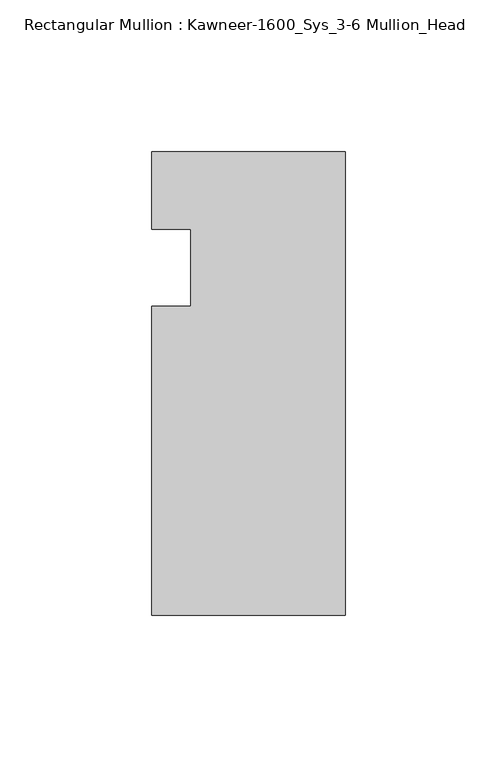
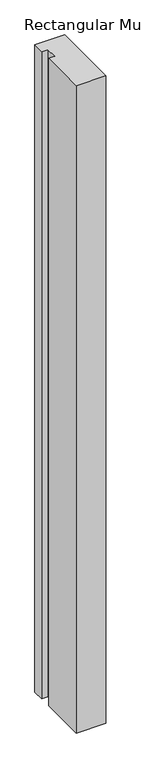
"""IFC4 building model written with IfcOpenShell, lengths in millimetres: member geometry, Rectangular Mullion : Kawneer-1600_Sys_3-6 Mullion_Head."""

from ifc_helpers import new_model, si_unit, frame, origin, place, context, project, spatial, polyline, outline, extrude, source, transform, mapped, element, save


def rectangular_mullion_kawneer_1600_sys_3_6_mullion_head_5498841b(model_context):
    return source(origin(), model_context, "Body", "SweptSolid", [
        extrude(outline(polyline([(-63.5, -114.3), (-63.5, -12.7), (-50.7982296, -12.7), (-50.7982296, 12.7), (-63.5, 12.7), (-63.5, 38.1), (0.0, 38.1), (0.0, -114.3), (-63.5, -114.3)])), frame((0.0, 0.0, -1460.5), z_axis=(0.0, 0.0, 1.0), x_axis=(1.0, 0.0, 0.0)), (0.0, 0.0, 1.0), 1460.5),
    ])


if __name__ == "__main__":
    model = new_model("IFC4")
    model_context = context("Model", 3, world=origin())
    ifc_project = project(units=[si_unit("LENGTHUNIT", "METRE", prefix="MILLI")], contexts=[model_context])
    site = spatial("IfcSite", under=ifc_project)
    building = spatial("IfcBuilding", under=site)
    placement = place(None, origin())
    rectangular_mullion_kawneer_1600_sys_3_6_mullion_head_shape = rectangular_mullion_kawneer_1600_sys_3_6_mullion_head_5498841b(model_context)
    element("IfcMember", 1, ObjectType="Rectangular Mullion : Kawneer-1600_Sys_3-6 Mullion_Head", at=placement, inside=building, context=model_context, shape_type="MappedRepresentation", body=[
        mapped(rectangular_mullion_kawneer_1600_sys_3_6_mullion_head_shape, transform((0.0, 0.0, 0.0), x_axis=(1.0, 0.0, 0.0), y_axis=(0.0, 1.0, 0.0), z_axis=(0.0, 0.0, 1.0))),
    ])
    save(model, "model.ifc")
